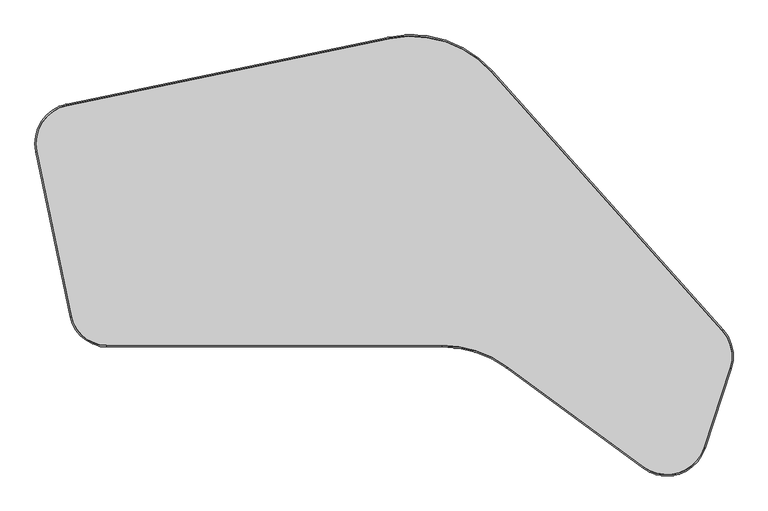
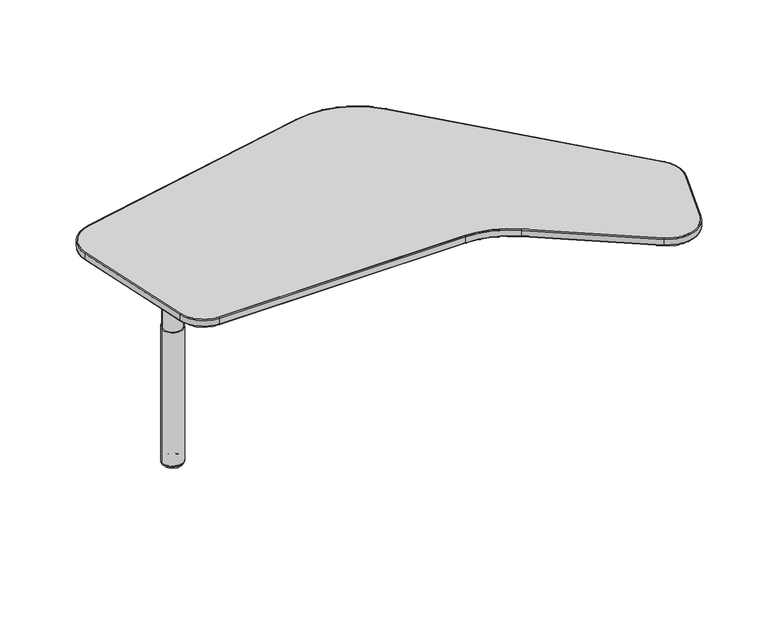
"""IFC4 building model written with IfcOpenShell, lengths in millimetres: furniture geometry."""

import ifcopenshell
import ifcopenshell.guid

model = None  # the IFC model being written
_history = None  # IfcOwnerHistory: only IFC2X3 demands one
_inside = {}  # id of a spatial element -> (the spatial element, [elements in it])
_under = {}  # id of a project, library or spatial element -> (it, [spatial elements below it])
_declared = {}  # id of a project -> (the project, [libraries it declares])
_typed = {}  # id of a type object -> (the type object, [elements of that type])
_made_of = {}  # id of a material, layer set ... -> (it, [elements and type objects made of it])


def new_model(schema):
    """Start an empty IFC model of exactly this schema.

    Asked for "IFC4X3", IfcOpenShell would pick the latest addendum, in which some entities
    have other attributes; the version numbers below select the first issue.
    IFC2X3 requires an IfcOwnerHistory on every rooted entity: one is made here for all.
    """
    global model, _history
    if schema == "IFC4X3":
        model = ifcopenshell.file(schema_version=(4, 3, 0, 0))
    else:
        model = ifcopenshell.file(schema=schema)
    _inside.clear()
    _under.clear()
    _declared.clear()
    _typed.clear()
    _made_of.clear()
    _history = None
    if model.schema == "IFC2X3":
        org = make("IfcOrganization", Name="unknown")
        user = make(
            "IfcPersonAndOrganization",
            ThePerson=make("IfcPerson", FamilyName="unknown"),
            TheOrganization=org,
        )
        app = make(
            "IfcApplication",
            ApplicationDeveloper=org,
            Version="unknown",
            ApplicationFullName="unknown",
            ApplicationIdentifier="unknown",
        )
        _history = make(
            "IfcOwnerHistory",
            OwningUser=user,
            OwningApplication=app,
            ChangeAction="ADDED",
            CreationDate=0,
        )
    return model


def make(cls, **values):
    """One entity of the class cls with the attributes given. An attribute that is None is left unset."""
    return model.create_entity(
        cls, **{name: value for name, value in values.items() if value is not None}
    )


def rooted(cls, **values):
    """An entity with a GlobalId (a new one), such as an element, a storey or a relation."""
    return make(cls, GlobalId=ifcopenshell.guid.new(), OwnerHistory=_history, **values)


def si_unit(unit_type, name, prefix=None):
    """IfcSIUnit, for example si_unit("LENGTHUNIT", "METRE", prefix="MILLI")."""
    return make("IfcSIUnit", UnitType=unit_type, Prefix=prefix, Name=name)


def assignment(units):
    """IfcUnitAssignment: the units of a project."""
    return None if units is None else make("IfcUnitAssignment", Units=units)


def point(xyz):
    """IfcCartesianPoint."""
    return None if xyz is None else make("IfcCartesianPoint", Coordinates=xyz)


def direction(xyz):
    """IfcDirection."""
    return None if xyz is None else make("IfcDirection", DirectionRatios=xyz)


def frame(location, z_axis=None, x_axis=None):
    """IfcAxis2Placement3D, a coordinate frame: its origin and axes. An axis left out is left unset."""
    return make(
        "IfcAxis2Placement3D",
        Location=point(location),
        Axis=direction(z_axis),
        RefDirection=direction(x_axis),
    )


def frame_2d(location, x_axis=None):
    """IfcAxis2Placement2D, a coordinate frame in the plane: its origin and x axis."""
    return make(
        "IfcAxis2Placement2D", Location=point(location), RefDirection=direction(x_axis)
    )


def origin():
    """The frame at (0, 0, 0) with its axes left unset."""
    return frame((0.0, 0.0, 0.0))


def place(relative_to, where):
    """IfcLocalPlacement: puts the frame where relative to a parent placement (None: the world)."""
    return make(
        "IfcLocalPlacement", PlacementRelTo=relative_to, RelativePlacement=where
    )


def context(
    kind, dimensions, precision=None, world=None, true_north=None, identifier=None
):
    """IfcGeometricRepresentationContext, for example the 3D "Model" context."""
    return make(
        "IfcGeometricRepresentationContext",
        ContextIdentifier=identifier,
        ContextType=kind,
        CoordinateSpaceDimension=dimensions,
        Precision=precision,
        WorldCoordinateSystem=world,
        TrueNorth=true_north,
    )


def project(units=None, contexts=None):
    """IfcProject with its units and contexts."""
    return rooted(
        "IfcProject",
        Name="project",
        RepresentationContexts=contexts,
        UnitsInContext=assignment(units),
    )


def spatial(cls, under=None, at=None, **own):
    """A site, building, storey or space (cls), placed at a placement, below another one or the project."""
    s = rooted(cls, ObjectPlacement=at, **own)
    if under is not None:
        _under.setdefault(under.id(), (under, []))[1].append(s)
    return s


def polyline(points):
    """IfcPolyline through the points."""
    return make("IfcPolyline", Points=[point(p) for p in points])


def circle_curve(where, radius):
    """IfcCircle in the frame where."""
    return make("IfcCircle", Position=where, Radius=radius)


def ellipse_curve(where, semi_axis1, semi_axis2):
    """IfcEllipse in the frame where."""
    return make(
        "IfcEllipse", Position=where, SemiAxis1=semi_axis1, SemiAxis2=semi_axis2
    )


def trimmed(basis, trim1, trim2, sense, master):
    """IfcTrimmedCurve: the piece of a basis curve between two trims."""
    return make(
        "IfcTrimmedCurve",
        BasisCurve=basis,
        Trim1=trim1,
        Trim2=trim2,
        SenseAgreement=sense,
        MasterRepresentation=master,
    )


def segment(curve, same_sense, transition):
    """IfcCompositeCurveSegment."""
    return make(
        "IfcCompositeCurveSegment",
        Transition=transition,
        SameSense=same_sense,
        ParentCurve=curve,
    )


def composite_curve(segments, self_intersect=None):
    """IfcCompositeCurve: segments joined end to end."""
    return make("IfcCompositeCurve", Segments=segments, SelfIntersect=self_intersect)


def outline(outer, holes=None, kind="AREA"):
    """IfcArbitraryClosedProfileDef: a profile drawn as a closed curve; with holes, ...WithVoids."""
    if holes is None:
        return make("IfcArbitraryClosedProfileDef", ProfileType=kind, OuterCurve=outer)
    return make(
        "IfcArbitraryProfileDefWithVoids",
        ProfileType=kind,
        OuterCurve=outer,
        InnerCurves=holes,
    )


def extrude(swept, where, along, depth):
    """IfcExtrudedAreaSolid: the profile swept, set in the frame where, extruded along a direction by depth."""
    return make(
        "IfcExtrudedAreaSolid",
        SweptArea=swept,
        Position=where,
        ExtrudedDirection=direction(along),
        Depth=depth,
    )


def shape(context_of_items, identifier, shape_type, items):
    """IfcShapeRepresentation: the items that make up one representation, for example the "Body"."""
    return make(
        "IfcShapeRepresentation",
        ContextOfItems=context_of_items,
        RepresentationIdentifier=identifier,
        RepresentationType=shape_type,
        Items=items,
    )


def source(mapping_origin, context_of_items, identifier, shape_type, items):
    """IfcRepresentationMap: a shape defined once, which mapped items show again and again."""
    return make(
        "IfcRepresentationMap",
        MappingOrigin=mapping_origin,
        MappedRepresentation=shape(context_of_items, identifier, shape_type, items),
    )


def transform(
    local_origin,
    x_axis=None,
    y_axis=None,
    z_axis=None,
    scale=None,
    scale2=None,
    scale3=None,
    uniform=True,
):
    """IfcCartesianTransformationOperator3D, or its non-uniform kind. x_axis, y_axis, z_axis: its Axis1, 2, 3."""
    if uniform:
        return make(
            "IfcCartesianTransformationOperator3D",
            Axis1=direction(x_axis),
            Axis2=direction(y_axis),
            LocalOrigin=point(local_origin),
            Scale=scale,
            Axis3=direction(z_axis),
        )
    return make(
        "IfcCartesianTransformationOperator3DnonUniform",
        Axis1=direction(x_axis),
        Axis2=direction(y_axis),
        LocalOrigin=point(local_origin),
        Scale=scale,
        Axis3=direction(z_axis),
        Scale2=scale2,
        Scale3=scale3,
    )


def mapped(mapping_source, mapping_target):
    """IfcMappedItem: shows the shape of a source again, moved by a transform."""
    return make(
        "IfcMappedItem", MappingSource=mapping_source, MappingTarget=mapping_target
    )


def made_of(thing, what):
    """Note that an element or type object is made of a material, layer set ...; save() writes the relation."""
    if what is not None:
        _made_of.setdefault(what.id(), (what, []))[1].append(thing)
    return thing


def element(
    cls,
    number,
    at=None,
    inside=None,
    cuts=None,
    type_object=None,
    material=None,
    context=None,
    identifier="Body",
    shape_type=None,
    held_by="IfcProductDefinitionShape",
    body=None,
    shapes=None,
    **own,
):
    """One element of the class cls, such as IfcWall. Its Tag is "e" and its number.

    at: its placement. inside: the storey or other place that contains it. cuts: it is an
    opening in that element (IfcRelVoidsElement). A single representation is given by context,
    identifier, shape_type and body (its items); several are given by shapes. held_by: the class
    of the entity that holds the representations. save() writes the other relations.
    """
    e = rooted(cls, Tag="e%d" % number, ObjectPlacement=at, **own)
    if body is not None:
        shapes = [shape(context, identifier, shape_type, body)]
    if shapes is not None:
        e.Representation = make(held_by, Representations=shapes)
    if inside is not None:
        _inside.setdefault(inside.id(), (inside, []))[1].append(e)
    if cuts is not None:
        rooted(
            "IfcRelVoidsElement", RelatingBuildingElement=cuts, RelatedOpeningElement=e
        )
    if type_object is not None:
        _typed.setdefault(type_object.id(), (type_object, []))[1].append(e)
    return made_of(e, material)


def aggregate(whole, parts):
    """IfcRelAggregates: a whole, such as a stair, and the parts it consists of."""
    return rooted("IfcRelAggregates", RelatingObject=whole, RelatedObjects=parts)


def save(model, path):
    """Write the relations noted so far, then the file.

    IfcRelAggregates (storeys below a building ...), IfcRelContainedInSpatialStructure (elements
    in a storey), IfcRelDefinesByType, IfcRelAssociatesMaterial and IfcRelDeclares: one each for
    every whole, place, type object, material and project.
    """
    for whole, parts in _under.values():
        aggregate(whole, parts)
    for where, things in _inside.values():
        rooted(
            "IfcRelContainedInSpatialStructure",
            RelatedElements=things,
            RelatingStructure=where,
        )
    for kind, things in _typed.values():
        rooted("IfcRelDefinesByType", RelatedObjects=things, RelatingType=kind)
    for what, things in _made_of.values():
        rooted("IfcRelAssociatesMaterial", RelatedObjects=things, RelatingMaterial=what)
    for by, libraries in _declared.values():
        rooted("IfcRelDeclares", RelatingContext=by, RelatedDefinitions=libraries)
    model.write(path)


def plane_surface(at):
    """IfcPlane: the flat surface through the origin of the frame at, square to its z axis."""
    return make("IfcPlane", Position=at)


def cylinder_surface(at, radius):
    """IfcCylindricalSurface: all points at the distance radius from the z axis of the frame at."""
    return make("IfcCylindricalSurface", Position=at, Radius=radius)


def revolved_surface(curve, axis_point, axis_direction):
    """IfcSurfaceOfRevolution: the curve turned about the line through axis_point along axis_direction."""
    return make(
        "IfcSurfaceOfRevolution",
        SweptCurve=make("IfcArbitraryOpenProfileDef", ProfileType="CURVE", Curve=curve),
        AxisPosition=make("IfcAxis1Placement", Location=point(axis_point), Axis=direction(axis_direction)),
    )


def advanced_brep(points, edges, surfaces, faces):
    """IfcAdvancedBrep: a solid bounded by faces that lie on surfaces and meet in shared edges.

    An edge is (start, end): straight between two places in points (the first is 0);
    or (start, end, curve); or (start, end, curve, False) where it runs against its curve.
    A face is (place in surfaces, loops), or (place, loops, False) where it looks against
    its surface's normal. A loop lists edges by number (the first is 1), with a minus sign
    where the edge is run from its end to its start. The first loop is the outer one.
    """
    corners = [point(p) for p in points]
    vertices = [make("IfcVertexPoint", VertexGeometry=c) for c in corners]
    made = []
    for start, end, *more in edges:
        made.append(
            make(
                "IfcEdgeCurve",
                EdgeStart=vertices[start],
                EdgeEnd=vertices[end],
                EdgeGeometry=more[0] if more else make("IfcPolyline", Points=[corners[start], corners[end]]),
                SameSense=more[1] if len(more) > 1 else True,
            )
        )
    hull = []
    for where, loops, *sense in faces:
        bounds = []
        for j, loop in enumerate(loops):
            ring = [make("IfcOrientedEdge", EdgeElement=made[abs(k) - 1], Orientation=k > 0) for k in loop]
            bounds.append(
                make(
                    "IfcFaceOuterBound" if j == 0 else "IfcFaceBound",
                    Bound=make("IfcEdgeLoop", EdgeList=ring),
                    Orientation=True,
                )
            )
        hull.append(make("IfcAdvancedFace", Bounds=bounds, FaceSurface=surfaces[where], SameSense=sense[0] if sense else True))
    return make("IfcAdvancedBrep", Outer=make("IfcClosedShell", CfsFaces=hull))


def furniture_fd7849f4(model_context):
    return source(origin(), model_context, "Body", "SolidModel", [
        advanced_brep(
        [(218.1847437, 295.4283696, 649.3460139), (162.0492913, 299.8722401, 649.3460139), (190.1170175, 297.6503048, 649.3460139), (218.1847437, 295.4283696, 624.9086974), (162.0492913, 299.8722401, 624.9086974), (221.2754664, 295.1836976, 624.9086974), (158.9585686, 300.1169121, 624.9086974), (221.2754664, 295.1836976, 485.9002831), (158.9585686, 300.1169121, 485.9002831), (225.3000442, 294.8650985, 485.9002831), (154.9339908, 300.4355111, 485.9002831), (225.3000442, 294.8650985, 10.2163535), (154.9339908, 300.4355111, 10.2163535), (224.0360678, 294.9651591, 9.4693355), (156.1979672, 300.3354505, 9.4693355), (224.8786925, 294.8984541, 8.8323857), (155.3553425, 300.4021555, 8.8323857), (216.7436839, 295.5424487, 0.0), (163.4903512, 299.758161, 0.0), (190.1170175, 297.6503048, 0.0)],
        [
            (0, 1, circle_curve(frame((190.1170175, 297.6503048, 649.3460139), z_axis=(0.0, 0.0, 1.0), x_axis=(-0.9968812328975419, 0.07891645897198368, 0.0)), 28.1555368)),
            (1, 2),
            (2, 0),
            (1, 0, circle_curve(frame((190.1170175, 297.6503048, 649.3460139), z_axis=(0.0, 0.0, 1.0), x_axis=(-0.9968812328975419, 0.07891645897198368, 0.0)), 28.1555368)),
            (3, 4, circle_curve(frame((190.1170175, 297.6503048, 624.9086974), z_axis=(0.0, 0.0, 1.0), x_axis=(-0.9968812328975419, 0.07891645897198368, 0.0)), 28.1555368)),
            (4, 1),
            (0, 3),
            (4, 3, circle_curve(frame((190.1170175, 297.6503048, 624.9086974), z_axis=(0.0, 0.0, 1.0), x_axis=(-0.9968812328975419, 0.07891645897198368, 0.0)), 28.1555368)),
            (5, 6, circle_curve(frame((190.1170175, 297.6503048, 624.9086974), z_axis=(0.0, 0.0, 1.0), x_axis=(-0.9968812328975419, 0.07891645897198368, 0.0)), 31.2559289)),
            (6, 4),
            (3, 5),
            (6, 5, circle_curve(frame((190.1170175, 297.6503048, 624.9086974), z_axis=(0.0, 0.0, 1.0), x_axis=(-0.9968812328975419, 0.07891645897198368, 0.0)), 31.2559289)),
            (7, 8, circle_curve(frame((190.1170175, 297.6503048, 485.9002831), z_axis=(0.0, 0.0, 1.0), x_axis=(-0.9968812328975419, 0.07891645897198368, 0.0)), 31.2559289)),
            (8, 6),
            (5, 7),
            (8, 7, circle_curve(frame((190.1170175, 297.6503048, 485.9002831), z_axis=(0.0, 0.0, 1.0), x_axis=(-0.9968812328975419, 0.07891645897198368, 0.0)), 31.2559289)),
            (9, 10, circle_curve(frame((190.1170175, 297.6503048, 485.9002831), z_axis=(0.0, 0.0, 1.0), x_axis=(-0.9968812328975419, 0.07891645897198368, 0.0)), 35.2930977)),
            (10, 8),
            (7, 9),
            (10, 9, circle_curve(frame((190.1170175, 297.6503048, 485.9002831), z_axis=(0.0, 0.0, 1.0), x_axis=(-0.9968812328975419, 0.07891645897198368, 0.0)), 35.2930977)),
            (11, 12, circle_curve(frame((190.1170175, 297.6503048, 10.2163535), z_axis=(0.0, 0.0, 1.0), x_axis=(-0.9968812328975419, 0.07891645897198368, 0.0)), 35.2930977)),
            (12, 10),
            (9, 11),
            (12, 11, circle_curve(frame((190.1170175, 297.6503048, 10.2163535), z_axis=(0.0, 0.0, 1.0), x_axis=(-0.9968812328975419, 0.07891645897198368, 0.0)), 35.2930977)),
            (13, 14, circle_curve(frame((190.1170175, 297.6503048, 9.4693355), z_axis=(0.0, 0.0, 1.0), x_axis=(-0.9968812328975419, 0.07891645897198368, 0.0)), 34.0251669)),
            (14, 12, circle_curve(frame((156.3857362, 300.3205861, 11.2385904), z_axis=(0.07891645897198368, 0.9968812328975419, 0.0), x_axis=(0.9968812328975419, -0.07891645897198368, 0.0)), 1.7792529)),
            (11, 13, circle_curve(frame((223.8482988, 294.9800236, 11.2385904), z_axis=(0.07891645897198046, 0.9968812328975422, 0.0), x_axis=(-0.9968812328975422, 0.07891645897198046, 0.0)), 1.7792529)),
            (14, 13, circle_curve(frame((190.1170175, 297.6503048, 9.4693355), z_axis=(0.0, 0.0, 1.0), x_axis=(-0.9968812328975419, 0.07891645897198368, 0.0)), 34.0251669)),
            (15, 16, circle_curve(frame((190.1170175, 297.6503048, 8.8323857), z_axis=(0.0, 0.0, 1.0), x_axis=(-0.9968812328975419, 0.07891645897198368, 0.0)), 34.8704278)),
            (16, 14, circle_curve(frame((156.8915053, 300.2805477, 7.6667755), z_axis=(0.07891645897198368, 0.9968812328975419, 0.0), x_axis=(0.9968812328975419, -0.07891645897198368, 0.0)), 1.9321573)),
            (13, 15, circle_curve(frame((223.3425297, 295.0200619, 7.6667755), z_axis=(0.07891645897198046, 0.9968812328975422, 0.0), x_axis=(-0.9968812328975422, 0.07891645897198046, 0.0)), 1.9321573)),
            (16, 15, circle_curve(frame((190.1170175, 297.6503048, 8.8323857), z_axis=(0.0, 0.0, 1.0), x_axis=(-0.9968812328975419, 0.07891645897198368, 0.0)), 34.8704278)),
            (17, 18, circle_curve(frame((190.1170175, 297.6503048, 0.0), z_axis=(0.0, 0.0, 1.0), x_axis=(-0.9968812328975419, 0.07891645897198368, 0.0)), 26.7099685)),
            (18, 16, circle_curve(frame((163.4903512, 299.758161, 8.1860178), z_axis=(0.07891645897198368, 0.9968812328975419, 0.0), x_axis=(0.9968812328975419, -0.07891645897198368, 0.0)), 8.1860178)),
            (15, 17, circle_curve(frame((216.7436839, 295.5424487, 8.1860178), z_axis=(0.07891645897198046, 0.9968812328975422, 0.0), x_axis=(-0.9968812328975422, 0.07891645897198046, 0.0)), 8.1860178)),
            (18, 17, circle_curve(frame((190.1170175, 297.6503048, 0.0), z_axis=(0.0, 0.0, 1.0), x_axis=(-0.9968812328975419, 0.07891645897198368, 0.0)), 26.7099685)),
            (19, 18),
            (17, 19),
        ],
        [
            plane_surface(frame((190.1170175, 297.6503048, 649.3460139), z_axis=(0.0, 0.0, 1.0), x_axis=(-0.9968812328975419, 0.07891645897198368, 0.0))),
            cylinder_surface(frame((190.1170175, 297.6503048, -31.75), z_axis=(0.0, 0.0, -1.0), x_axis=(-0.9968812328975419, 0.07891645897198368, 0.0)), 28.1555368),
            plane_surface(frame((190.1170175, 297.6503048, 624.9086974), z_axis=(0.0, 0.0, 1.0), x_axis=(-0.9968812328975419, 0.07891645897198368, 0.0))),
            cylinder_surface(frame((190.1170175, 297.6503048, -31.75), z_axis=(0.0, 0.0, -1.0), x_axis=(-0.9968812328975419, 0.07891645897198368, 0.0)), 31.2559289),
            plane_surface(frame((190.1170175, 297.6503048, 485.9002831), z_axis=(0.0, 0.0, 1.0), x_axis=(-0.9968812328975419, 0.07891645897198368, 0.0))),
            cylinder_surface(frame((190.1170175, 297.6503048, -31.75), z_axis=(0.0, 0.0, -1.0), x_axis=(-0.9968812328975419, 0.07891645897198368, 0.0)), 35.2930977),
            revolved_surface(trimmed(ellipse_curve(frame((156.3857362, 300.3205861, 11.2385904), z_axis=(-0.07891645897198368, -0.9968812328975419, 0.0), x_axis=(0.9968812328975419, -0.07891645897198368, 0.0)), 1.7792529, 1.7792529), [point((154.9339908, 300.4355111, 10.2163535))], [point((156.1979672, 300.3354505, 9.4693355))], True, "CARTESIAN"), (190.1170175, 297.6503048, -31.75), (0.0, 0.0, -1.0)),
            revolved_surface(trimmed(ellipse_curve(frame((156.8915053, 300.2805477, 7.6667755), z_axis=(-0.07891645897198368, -0.9968812328975419, 0.0), x_axis=(0.9968812328975419, -0.07891645897198368, 0.0)), 1.9321573, 1.9321573), [point((156.1979672, 300.3354505, 9.4693355))], [point((155.3553425, 300.4021555, 8.8323857))], True, "CARTESIAN"), (190.1170175, 297.6503048, -31.75), (0.0, 0.0, -1.0)),
            revolved_surface(trimmed(ellipse_curve(frame((163.4903512, 299.758161, 8.1860178), z_axis=(-0.07891645897198368, -0.9968812328975419, 0.0), x_axis=(0.9968812328975419, -0.07891645897198368, 0.0)), 8.1860178, 8.1860178), [point((155.3553425, 300.4021555, 8.8323857))], [point((163.4903512, 299.758161, 0.0))], True, "CARTESIAN"), (190.1170175, 297.6503048, -31.75), (0.0, 0.0, -1.0)),
            plane_surface(frame((190.1170175, 297.6503048, 0.0), z_axis=(0.0, 0.0, -1.0), x_axis=(-0.9968812328975419, 0.07891645897198368, 0.0))),
        ],
        [
            (0, [[1, 2, 3]]),
            (0, [[4, -3, -2]]),
            (1, [[5, 6, -1, 7]]),
            (1, [[8, -7, -4, -6]]),
            (2, [[9, 10, -5, 11]]),
            (2, [[12, -11, -8, -10]]),
            (3, [[13, 14, -9, 15]]),
            (3, [[16, -15, -12, -14]]),
            (4, [[17, 18, -13, 19]]),
            (4, [[20, -19, -16, -18]]),
            (5, [[21, 22, -17, 23]]),
            (5, [[24, -23, -20, -22]]),
            (6, [[25, 26, -21, 27]]),
            (6, [[28, -27, -24, -26]]),
            (7, [[29, 30, -25, 31]]),
            (7, [[32, -31, -28, -30]]),
            (8, [[33, 34, -29, 35]]),
            (8, [[36, -35, -32, -34]]),
            (9, [[37, -33, 38]]),
            (9, [[-38, -36, -37]]),
        ],
    ),
        advanced_brep(
        [(176.4500095, 3.81, 675.8114043), (176.4500095, 3.81, 701.04), (1003.2845277, 3.81, 701.04), (1003.2845277, 3.81, 675.8114043), (176.4500095, 0.0, 678.3514043), (176.4500095, 2.54, 675.8114043), (1003.2845277, 2.54, 675.8114043), (1003.2845277, 0.0, 678.3514043), (176.4500095, 0.0, 698.5), (1003.2845277, 0.0, 698.5), (176.4500095, 2.54, 701.04), (1003.2845277, 2.54, 701.04), (1164.859092, -49.1264778, 675.8114043), (1164.859092, -49.1264778, 701.04), (1162.6045632, -52.1978292, 678.3514043), (1164.1075824, -50.1502616, 675.8114043), (1162.6045632, -52.1978292, 698.5), (1164.1075824, -50.1502616, 701.04), (1502.3008534, -296.8259604, 701.04), (1502.3008534, -296.8259604, 675.8114043), (1501.5493438, -297.8497442, 675.8114043), (1500.0463246, -299.8973118, 678.3514043), (1500.0463246, -299.8973118, 698.5), (1501.5493438, -297.8497442, 701.04), (1649.1152371, -249.8943009, 675.8114043), (1649.1152371, -249.8943009, 701.04), (1652.7332836, -251.088386, 678.3514043), (1650.3212526, -250.2923292, 675.8114043), (1652.7332836, -251.088386, 698.5), (1650.3212526, -250.2923292, 701.04), (1713.8957486, -53.6110488, 701.04), (1713.8957486, -53.6110488, 675.8114043), (1715.1017641, -54.0090771, 675.8114043), (1717.5137951, -54.8051339, 678.3514043), (1717.5137951, -54.8051339, 698.5), (1715.1017641, -54.0090771, 701.04), (1694.5230089, 39.6478618, 675.8114043), (1694.5230089, 39.6478618, 701.04), (1697.3661459, 42.1841331, 678.3514043), (1695.4707212, 40.4932855, 675.8114043), (1697.3661459, 42.1841331, 698.5), (1695.4707212, 40.4932855, 701.04), (1125.4297504, 677.5961986, 701.04), (1125.4297504, 677.5961986, 675.8114043), (1126.3774627, 678.4416224, 675.8114043), (1128.2728874, 680.1324699, 678.3514043), (1128.2728874, 680.1324699, 698.5), (1126.3774627, 678.4416224, 701.04), (874.5786416, 760.3866443, 675.8114043), (874.5786416, 760.3866443, 701.04), (873.8037337, 764.1170086, 678.3514043), (874.320339, 761.6300991, 675.8114043), (873.8037337, 764.1170086, 698.5), (874.320339, 761.6300991, 701.04), (78.5531605, 595.0284191, 701.04), (78.5531605, 595.0284191, 675.8114043), (78.2948579, 596.2718739, 675.8114043), (77.7782526, 598.7587834, 678.3514043), (77.7782526, 598.7587834, 698.5), (78.2948579, 596.2718739, 701.04), (4.6683853, 482.3887447, 675.8114043), (4.6683853, 482.3887447, 701.04), (0.9380865, 481.613522, 678.3514043), (3.4249524, 482.1303371, 675.8114043), (0.9380865, 481.613522, 698.5), (3.4249524, 482.1303371, 701.04), (89.4097021, 74.6214708, 701.04), (89.4097021, 74.6214708, 675.8114043), (88.1662691, 74.3630632, 675.8114043), (85.6794032, 73.8462481, 678.3514043), (85.6794032, 73.8462481, 698.5), (88.1662691, 74.3630632, 701.04)],
        [
            (0, 1),
            (1, 2),
            (2, 3),
            (3, 0),
            (4, 5, circle_curve(frame((176.4500095, 2.54, 678.3514043), z_axis=(1.0, 0.0, 0.0), x_axis=(0.0, 1.0, 0.0)), 2.54)),
            (5, 6),
            (6, 7, circle_curve(frame((1003.2845277, 2.54, 678.3514043), z_axis=(-1.0, 0.0, 0.0), x_axis=(0.0, 1.0, 0.0)), 2.54)),
            (7, 4),
            (8, 4),
            (7, 9),
            (9, 8),
            (10, 8, circle_curve(frame((176.4500095, 2.54, 698.5), z_axis=(1.0, 0.0, 0.0), x_axis=(0.0, 1.0, 0.0)), 2.54)),
            (9, 11, circle_curve(frame((1003.2845277, 2.54, 698.5), z_axis=(-1.0, 0.0, 0.0), x_axis=(0.0, 1.0, 0.0)), 2.54)),
            (11, 10),
            (12, 3, circle_curve(frame((1003.2845277, -269.24, 675.8114043), z_axis=(0.0, 0.0, 1.0), x_axis=(0.0, 1.0, 0.0)), 273.05)),
            (2, 13, circle_curve(frame((1003.2845277, -269.24, 701.04), z_axis=(0.0, 0.0, -1.0), x_axis=(0.0, 1.0, 0.0)), 273.05)),
            (13, 12),
            (14, 7, circle_curve(frame((1003.2845277, -269.24, 678.3514043), z_axis=(0.0, 0.0, 1.0), x_axis=(0.0, 1.0, 0.0)), 269.24)),
            (6, 15, circle_curve(frame((1003.2845277, -269.24, 675.8114043), z_axis=(0.0, 0.0, -1.0), x_axis=(0.0, 1.0, 0.0)), 271.78)),
            (15, 14, circle_curve(frame((1164.1075824, -50.1502616, 678.3514043), z_axis=(-0.8061289955728148, 0.5917398435940956, 0.0), x_axis=(0.5917398435940956, 0.8061289955728148, 0.0)), 2.54)),
            (16, 9, circle_curve(frame((1003.2845277, -269.24, 698.5), z_axis=(0.0, 0.0, 1.0), x_axis=(0.0, 1.0, 0.0)), 269.24)),
            (14, 16),
            (17, 11, circle_curve(frame((1003.2845277, -269.24, 701.04), z_axis=(0.0, 0.0, 1.0), x_axis=(0.0, 1.0, 0.0)), 271.78)),
            (16, 17, circle_curve(frame((1164.1075824, -50.1502616, 698.5), z_axis=(-0.8061289955728146, 0.5917398435940958, 0.0), x_axis=(0.5917398435940958, 0.8061289955728146, 0.0)), 2.54)),
            (13, 18),
            (18, 19),
            (19, 12),
            (15, 20),
            (20, 21, circle_curve(frame((1501.5493438, -297.8497442, 678.3514043), z_axis=(-0.8061289955728148, 0.5917398435940956, 0.0), x_axis=(0.5917398435940956, 0.8061289955728148, 0.0)), 2.54)),
            (21, 14),
            (21, 22),
            (22, 16),
            (22, 23, circle_curve(frame((1501.5493438, -297.8497442, 698.5), z_axis=(-0.8061289955728148, 0.5917398435940956, 0.0), x_axis=(0.5917398435940956, 0.8061289955728148, 0.0)), 2.54)),
            (23, 17),
            (24, 19, circle_curve(frame((1558.6640735, -220.0421735, 675.8114043), z_axis=(0.0, 0.0, -1.0), x_axis=(-0.5917398435940961, -0.8061289955728144, 0.0)), 95.25)),
            (18, 25, circle_curve(frame((1558.6640735, -220.0421735, 701.04), z_axis=(0.0, 0.0, 1.0), x_axis=(-0.5917398435940961, -0.8061289955728144, 0.0)), 95.25)),
            (25, 24),
            (26, 21, circle_curve(frame((1558.6640735, -220.0421735, 678.3514043), z_axis=(0.0, 0.0, -1.0), x_axis=(-0.5917398435940961, -0.8061289955728144, 0.0)), 99.06)),
            (20, 27, circle_curve(frame((1558.6640735, -220.0421735, 675.8114043), z_axis=(0.0, 0.0, 1.0), x_axis=(-0.5917398435940961, -0.8061289955728144, 0.0)), 96.52)),
            (27, 26, circle_curve(frame((1650.3212526, -250.2923292, 678.3514043), z_axis=(-0.3134081611729783, -0.9496185152523999, 0.0), x_axis=(-0.9496185152523999, 0.3134081611729783, 0.0)), 2.54)),
            (28, 22, circle_curve(frame((1558.6640735, -220.0421735, 698.5), z_axis=(0.0, 0.0, -1.0), x_axis=(-0.5917398435940961, -0.8061289955728144, 0.0)), 99.06)),
            (26, 28),
            (29, 23, circle_curve(frame((1558.6640735, -220.0421735, 701.04), z_axis=(0.0, 0.0, -1.0), x_axis=(-0.5917398435940961, -0.8061289955728144, 0.0)), 96.52)),
            (28, 29, circle_curve(frame((1650.3212526, -250.2923292, 698.5), z_axis=(-0.3134081611729792, -0.9496185152523995, 0.0), x_axis=(-0.9496185152523995, 0.3134081611729792, 0.0)), 2.54)),
            (25, 30),
            (30, 31),
            (31, 24),
            (27, 32),
            (32, 33, circle_curve(frame((1715.1017641, -54.0090771, 678.3514043), z_axis=(-0.3134081611729781, -0.9496185152524002, 0.0), x_axis=(-0.9496185152523999, 0.31340816117297804, 0.0)), 2.54)),
            (33, 26),
            (33, 34),
            (34, 28),
            (34, 35, circle_curve(frame((1715.1017641, -54.0090771, 698.5), z_axis=(-0.3134081611729781, -0.9496185152524002, 0.0), x_axis=(-0.9496185152523999, 0.31340816117297804, 0.0)), 2.54)),
            (35, 29),
            (36, 31, circle_curve(frame((1623.444585, -23.7589214, 675.8114043), z_axis=(0.0, 0.0, -1.0), x_axis=(0.9496185152523999, -0.31340816117297826, 0.0)), 95.25)),
            (30, 37, circle_curve(frame((1623.444585, -23.7589214, 701.04), z_axis=(0.0, 0.0, 1.0), x_axis=(0.9496185152523999, -0.31340816117297826, 0.0)), 95.25)),
            (37, 36),
            (38, 33, circle_curve(frame((1623.444585, -23.7589214, 678.3514043), z_axis=(0.0, 0.0, -1.0), x_axis=(0.9496185152523999, -0.31340816117297826, 0.0)), 99.06)),
            (32, 39, circle_curve(frame((1623.444585, -23.7589214, 675.8114043), z_axis=(0.0, 0.0, 1.0), x_axis=(0.9496185152523999, -0.31340816117297826, 0.0)), 96.52)),
            (39, 38, circle_curve(frame((1695.4707212, 40.4932855, 678.3514043), z_axis=(0.6656880124197581, -0.7462301723467313, 0.0), x_axis=(-0.7462301723467313, -0.6656880124197581, 0.0)), 2.54)),
            (40, 34, circle_curve(frame((1623.444585, -23.7589214, 698.5), z_axis=(0.0, 0.0, -1.0), x_axis=(0.9496185152523999, -0.31340816117297826, 0.0)), 99.06)),
            (38, 40),
            (41, 35, circle_curve(frame((1623.444585, -23.7589214, 701.04), z_axis=(0.0, 0.0, -1.0), x_axis=(0.9496185152523999, -0.31340816117297826, 0.0)), 96.52)),
            (40, 41, circle_curve(frame((1695.4707212, 40.4932855, 698.5), z_axis=(0.6656880124197588, -0.7462301723467306, 0.0), x_axis=(-0.7462301723467306, -0.6656880124197588, 0.0)), 2.54)),
            (37, 42),
            (42, 43),
            (43, 36),
            (39, 44),
            (44, 45, circle_curve(frame((1126.3774627, 678.4416224, 678.3514043), z_axis=(0.6656880124197574, -0.7462301723467317, 0.0), x_axis=(-0.7462301723467317, -0.6656880124197574, 0.0)), 2.54)),
            (45, 38),
            (45, 46),
            (46, 40),
            (46, 47, circle_curve(frame((1126.3774627, 678.4416224, 698.5), z_axis=(0.6656880124197574, -0.7462301723467317, 0.0), x_axis=(-0.7462301723467317, -0.6656880124197574, 0.0)), 2.54)),
            (47, 41),
            (48, 43, circle_curve(frame((928.3055881, 501.7480532, 675.8114043), z_axis=(0.0, 0.0, -1.0), x_axis=(0.746230172346732, 0.6656880124197572, 0.0)), 264.16)),
            (42, 49, circle_curve(frame((928.3055881, 501.7480532, 701.04), z_axis=(0.0, 0.0, 1.0), x_axis=(0.746230172346732, 0.6656880124197572, 0.0)), 264.16)),
            (49, 48),
            (50, 45, circle_curve(frame((928.3055881, 501.7480532, 678.3514043), z_axis=(0.0, 0.0, -1.0), x_axis=(0.746230172346732, 0.6656880124197572, 0.0)), 267.97)),
            (44, 51, circle_curve(frame((928.3055881, 501.7480532, 675.8114043), z_axis=(0.0, 0.0, 1.0), x_axis=(0.746230172346732, 0.6656880124197572, 0.0)), 265.43)),
            (51, 50, circle_curve(frame((874.320339, 761.6300991, 678.3514043), z_axis=(0.9790982402051904, 0.20338789547831837, 0.0), x_axis=(0.20338789547831837, -0.9790982402051904, 0.0)), 2.54)),
            (52, 46, circle_curve(frame((928.3055881, 501.7480532, 698.5), z_axis=(0.0, 0.0, -1.0), x_axis=(0.746230172346732, 0.6656880124197572, 0.0)), 267.97)),
            (50, 52),
            (53, 47, circle_curve(frame((928.3055881, 501.7480532, 701.04), z_axis=(0.0, 0.0, -1.0), x_axis=(0.746230172346732, 0.6656880124197572, 0.0)), 265.43)),
            (52, 53, circle_curve(frame((874.320339, 761.6300991, 698.5), z_axis=(0.9790982402051905, 0.20338789547831787, 0.0), x_axis=(0.20338789547831787, -0.9790982402051905, 0.0)), 2.54)),
            (49, 54),
            (54, 55),
            (55, 48),
            (51, 56),
            (56, 57, circle_curve(frame((78.2948579, 596.2718739, 678.3514043), z_axis=(0.9790982402051905, 0.2033878954783179, 0.0), x_axis=(0.2033878954783179, -0.9790982402051905, 0.0)), 2.54)),
            (57, 50),
            (57, 58),
            (58, 52),
            (58, 59, circle_curve(frame((78.2948579, 596.2718739, 698.5), z_axis=(0.9790982402051905, 0.2033878954783179, 0.0), x_axis=(0.2033878954783179, -0.9790982402051905, 0.0)), 2.54)),
            (59, 53),
            (60, 55, circle_curve(frame((97.9258575, 501.7693117, 675.8114043), z_axis=(0.0, 0.0, -1.0), x_axis=(-0.20338789547831754, 0.9790982402051905, 0.0)), 95.25)),
            (54, 61, circle_curve(frame((97.9258575, 501.7693117, 701.04), z_axis=(0.0, 0.0, 1.0), x_axis=(-0.20338789547831754, 0.9790982402051905, 0.0)), 95.25)),
            (61, 60),
            (62, 57, circle_curve(frame((97.9258575, 501.7693117, 678.3514043), z_axis=(0.0, 0.0, -1.0), x_axis=(-0.20338789547831754, 0.9790982402051905, 0.0)), 99.06)),
            (56, 63, circle_curve(frame((97.9258575, 501.7693117, 675.8114043), z_axis=(0.0, 0.0, 1.0), x_axis=(-0.20338789547831754, 0.9790982402051905, 0.0)), 96.52)),
            (63, 62, circle_curve(frame((3.4249524, 482.1303371, 678.3514043), z_axis=(-0.20347052011527966, 0.979081072967922, 0.0), x_axis=(0.979081072967922, 0.20347052011527966, 0.0)), 2.54)),
            (64, 58, circle_curve(frame((97.9258575, 501.7693117, 698.5), z_axis=(0.0, 0.0, -1.0), x_axis=(-0.20338789547831754, 0.9790982402051905, 0.0)), 99.06)),
            (62, 64),
            (65, 59, circle_curve(frame((97.9258575, 501.7693117, 701.04), z_axis=(0.0, 0.0, -1.0), x_axis=(-0.20338789547831754, 0.9790982402051905, 0.0)), 96.52)),
            (64, 65, circle_curve(frame((3.4249524, 482.1303371, 698.5), z_axis=(-0.2034705201152801, 0.9790810729679219, 0.0), x_axis=(0.9790810729679219, 0.2034705201152801, 0.0)), 2.54)),
            (61, 66),
            (66, 67),
            (67, 60),
            (63, 68),
            (68, 69, circle_curve(frame((88.1662691, 74.3630632, 678.3514043), z_axis=(-0.203470520115287, 0.9790810729679207, 0.0), x_axis=(0.9790810729679207, 0.203470520115287, 0.0)), 2.54)),
            (69, 62),
            (69, 70),
            (70, 64),
            (70, 71, circle_curve(frame((88.1662691, 74.3630632, 698.5), z_axis=(-0.203470520115287, 0.9790810729679207, 0.0), x_axis=(0.9790810729679207, 0.203470520115287, 0.0)), 2.54)),
            (71, 65),
            (0, 67, circle_curve(frame((176.4500095, 92.71, 675.8114043), z_axis=(0.0, 0.0, -1.0), x_axis=(-0.9790810729679205, -0.20347052011528752, 0.0)), 88.9)),
            (66, 1, circle_curve(frame((176.4500095, 92.71, 701.04), z_axis=(0.0, 0.0, 1.0), x_axis=(-0.9790810729679205, -0.20347052011528752, 0.0)), 88.9)),
            (5, 68, circle_curve(frame((176.4500095, 92.71, 675.8114043), z_axis=(0.0, 0.0, -1.0), x_axis=(-0.9790810729679205, -0.20347052011528752, 0.0)), 90.17)),
            (4, 69, circle_curve(frame((176.4500095, 92.71, 678.3514043), z_axis=(0.0, 0.0, -1.0), x_axis=(-0.9790810729679205, -0.20347052011528752, 0.0)), 92.71)),
            (8, 70, circle_curve(frame((176.4500095, 92.71, 698.5), z_axis=(0.0, 0.0, -1.0), x_axis=(-0.9790810729679205, -0.20347052011528752, 0.0)), 92.71)),
            (10, 71, circle_curve(frame((176.4500095, 92.71, 701.04), z_axis=(0.0, 0.0, -1.0), x_axis=(-0.9790810729679205, -0.20347052011528752, 0.0)), 90.17)),
        ],
        [
            plane_surface(frame((176.4500095, 3.81, 701.04), z_axis=(0.0, 1.0, 0.0), x_axis=(1.0, 0.0, 0.0))),
            cylinder_surface(frame((176.4500095, 2.54, 678.3514043), z_axis=(-1.0, 0.0, 0.0), x_axis=(0.0, 1.0, 0.0)), 2.54),
            plane_surface(frame((176.4500095, 0.0, 678.3514043), z_axis=(0.0, -1.0, 0.0), x_axis=(1.0, 0.0, 0.0))),
            cylinder_surface(frame((176.4500095, 2.54, 698.5), z_axis=(-1.0, 0.0, 0.0), x_axis=(0.0, 1.0, 0.0)), 2.54),
            cylinder_surface(frame((1003.2845277, -269.24, 0.0), z_axis=(0.0, 0.0, -1.0), x_axis=(0.0, 1.0, 0.0)), 273.05),
            revolved_surface(trimmed(ellipse_curve(frame((1003.2845277, 2.54, 678.3514043), z_axis=(-1.0, 0.0, 0.0), x_axis=(0.0, 1.0, 0.0)), 2.54, 2.54), [point((1003.2845277, 2.54, 675.8114043))], [point((1003.2845277, 0.0, 678.3514043))], True, "CARTESIAN"), (1003.2845277, -269.24, 0.0), (0.0, 0.0, -1.0)),
            revolved_surface(polyline([(1003.2845277, 0.0, 678.3514043), (1003.2845277, 0.0, 698.5)]), (1003.2845277, -269.24, 0.0), (0.0, 0.0, -1.0)),
            revolved_surface(trimmed(ellipse_curve(frame((1003.2845277, 2.54, 698.5), z_axis=(-1.0, 0.0, 0.0), x_axis=(0.0, 1.0, 0.0)), 2.54, 2.54), [point((1003.2845277, 0.0, 698.5))], [point((1003.2845277, 2.54, 701.04))], True, "CARTESIAN"), (1003.2845277, -269.24, 0.0), (0.0, 0.0, -1.0)),
            plane_surface(frame((1164.859092, -49.1264778, 701.04), z_axis=(0.5917398435940955, 0.806128995572815, 0.0), x_axis=(0.806128995572815, -0.5917398435940955, 0.0))),
            cylinder_surface(frame((1164.1075824, -50.1502616, 678.3514043), z_axis=(-0.8061289955728148, 0.5917398435940956, 0.0), x_axis=(0.5917398435940956, 0.8061289955728148, 0.0)), 2.54),
            plane_surface(frame((1162.6045632, -52.1978292, 678.3514043), z_axis=(-0.5917398435940955, -0.806128995572815, 0.0), x_axis=(0.806128995572815, -0.5917398435940955, 0.0))),
            cylinder_surface(frame((1164.1075824, -50.1502616, 698.5), z_axis=(-0.8061289955728148, 0.5917398435940956, 0.0), x_axis=(0.5917398435940956, 0.8061289955728148, 0.0)), 2.54),
            revolved_surface(polyline([(1502.3008533976624, -296.82596032831054, 701.04), (1502.3008533976624, -296.82596032831054, 675.8114043)]), (1558.6640735, -220.0421735, 0.0), (0.0, 0.0, 1.0)),
            revolved_surface(trimmed(ellipse_curve(frame((1501.5493438, -297.8497442, 678.3514043), z_axis=(-0.8061289955728145, 0.591739843594096, 0.0), x_axis=(0.591739843594096, 0.8061289955728145, 0.0)), 2.54, 2.54), [point((1501.5493438, -297.8497442, 675.8114043))], [point((1500.0463246, -299.8973118, 678.3514043))], True, "CARTESIAN"), (1558.6640735, -220.0421735, 0.0), (0.0, 0.0, 1.0)),
            cylinder_surface(frame((1558.6640735, -220.0421735, 0.0), z_axis=(0.0, 0.0, 1.0), x_axis=(-0.5917398435940961, -0.8061289955728144, 0.0)), 99.06),
            revolved_surface(trimmed(ellipse_curve(frame((1501.5493438, -297.8497442, 698.5), z_axis=(-0.8061289955728145, 0.591739843594096, 0.0), x_axis=(0.591739843594096, 0.8061289955728145, 0.0)), 2.54, 2.54), [point((1500.0463246, -299.8973118, 698.5))], [point((1501.5493438, -297.8497442, 701.04))], True, "CARTESIAN"), (1558.6640735, -220.0421735, 0.0), (0.0, 0.0, 1.0)),
            plane_surface(frame((1649.1152371, -249.8943009, 701.04), z_axis=(-0.9496185152524004, 0.3134081611729771, 0.0), x_axis=(0.3134081611729771, 0.9496185152524004, 0.0))),
            cylinder_surface(frame((1650.3212526, -250.2923292, 678.3514043), z_axis=(-0.31340816117297804, -0.9496185152523999, 0.0), x_axis=(-0.9496185152523999, 0.31340816117297804, 0.0)), 2.54),
            plane_surface(frame((1652.7332836, -251.088386, 678.3514043), z_axis=(0.9496185152523999, -0.31340816117297843, 0.0), x_axis=(0.31340816117297843, 0.9496185152523999, 0.0))),
            cylinder_surface(frame((1650.3212526, -250.2923292, 698.5), z_axis=(-0.31340816117297804, -0.9496185152523999, 0.0), x_axis=(-0.9496185152523999, 0.31340816117297804, 0.0)), 2.54),
            revolved_surface(polyline([(1713.895748577791, -53.61104875172617, 701.04), (1713.895748577791, -53.61104875172617, 675.8114043)]), (1623.444585, -23.7589214, 0.0), (0.0, 0.0, 1.0)),
            revolved_surface(trimmed(ellipse_curve(frame((1715.1017641, -54.0090771, 678.3514043), z_axis=(-0.31340816117297815, -0.9496185152523999, 0.0), x_axis=(-0.9496185152523999, 0.31340816117297815, 0.0)), 2.54, 2.54), [point((1715.1017641, -54.0090771, 675.8114043))], [point((1717.5137951, -54.8051339, 678.3514043))], True, "CARTESIAN"), (1623.444585, -23.7589214, 0.0), (0.0, 0.0, 1.0)),
            cylinder_surface(frame((1623.444585, -23.7589214, 0.0), z_axis=(0.0, 0.0, 1.0), x_axis=(0.9496185152523999, -0.31340816117297826, 0.0)), 99.06),
            revolved_surface(trimmed(ellipse_curve(frame((1715.1017641, -54.0090771, 698.5), z_axis=(-0.31340816117297815, -0.9496185152523999, 0.0), x_axis=(-0.9496185152523999, 0.31340816117297815, 0.0)), 2.54, 2.54), [point((1717.5137951, -54.8051339, 698.5))], [point((1715.1017641, -54.0090771, 701.04))], True, "CARTESIAN"), (1623.444585, -23.7589214, 0.0), (0.0, 0.0, 1.0)),
            plane_surface(frame((1694.5230089, 39.6478618, 701.04), z_axis=(-0.746230172346732, -0.6656880124197573, 0.0), x_axis=(-0.6656880124197573, 0.746230172346732, 0.0))),
            cylinder_surface(frame((1695.4707212, 40.4932855, 678.3514043), z_axis=(0.6656880124197574, -0.7462301723467317, 0.0), x_axis=(-0.7462301723467317, -0.6656880124197574, 0.0)), 2.54),
            plane_surface(frame((1697.3661459, 42.1841331, 678.3514043), z_axis=(0.746230172346732, 0.6656880124197572, 0.0), x_axis=(-0.6656880124197572, 0.746230172346732, 0.0))),
            cylinder_surface(frame((1695.4707212, 40.4932855, 698.5), z_axis=(0.6656880124197574, -0.7462301723467317, 0.0), x_axis=(-0.7462301723467317, -0.6656880124197574, 0.0)), 2.54),
            revolved_surface(polyline([(1125.4297504271128, 677.596198560803, 701.04), (1125.4297504271128, 677.596198560803, 675.8114043)]), (928.3055881, 501.7480532, 0.0), (0.0, 0.0, 1.0)),
            revolved_surface(trimmed(ellipse_curve(frame((1126.3774627, 678.4416224, 678.3514043), z_axis=(0.6656880124197573, -0.7462301723467318, 0.0), x_axis=(-0.7462301723467318, -0.6656880124197573, 0.0)), 2.54, 2.54), [point((1126.3774627, 678.4416224, 675.8114043))], [point((1128.2728874, 680.1324699, 678.3514043))], True, "CARTESIAN"), (928.3055881, 501.7480532, 0.0), (0.0, 0.0, 1.0)),
            cylinder_surface(frame((928.3055881, 501.7480532, 0.0), z_axis=(0.0, 0.0, 1.0), x_axis=(0.746230172346732, 0.6656880124197572, 0.0)), 267.97),
            revolved_surface(trimmed(ellipse_curve(frame((1126.3774627, 678.4416224, 698.5), z_axis=(0.6656880124197573, -0.7462301723467318, 0.0), x_axis=(-0.7462301723467318, -0.6656880124197573, 0.0)), 2.54, 2.54), [point((1128.2728874, 680.1324699, 698.5))], [point((1126.3774627, 678.4416224, 701.04))], True, "CARTESIAN"), (928.3055881, 501.7480532, 0.0), (0.0, 0.0, 1.0)),
            plane_surface(frame((874.5786416, 760.3866443, 701.04), z_axis=(0.2033878954783179, -0.9790982402051904, 0.0), x_axis=(-0.9790982402051904, -0.2033878954783179, 0.0))),
            cylinder_surface(frame((874.320339, 761.6300991, 678.3514043), z_axis=(0.9790982402051905, 0.2033878954783179, 0.0), x_axis=(0.2033878954783179, -0.9790982402051905, 0.0)), 2.54),
            plane_surface(frame((873.8037337, 764.1170086, 678.3514043), z_axis=(-0.20338789547831787, 0.9790982402051905, 0.0), x_axis=(-0.9790982402051905, -0.20338789547831787, 0.0))),
            cylinder_surface(frame((874.320339, 761.6300991, 698.5), z_axis=(0.9790982402051905, 0.2033878954783179, 0.0), x_axis=(0.2033878954783179, -0.9790982402051905, 0.0)), 2.54),
            revolved_surface(polyline([(78.55316045569026, 595.0284190795444, 701.04), (78.55316045569026, 595.0284190795444, 675.8114043)]), (97.9258575, 501.7693117, 0.0), (0.0, 0.0, 1.0)),
            revolved_surface(trimmed(ellipse_curve(frame((78.2948579, 596.2718739, 678.3514043), z_axis=(0.9790982402051905, 0.20338789547831754, 0.0), x_axis=(0.20338789547831754, -0.9790982402051905, 0.0)), 2.54, 2.54), [point((78.2948579, 596.2718739, 675.8114043))], [point((77.7782526, 598.7587834, 678.3514043))], True, "CARTESIAN"), (97.9258575, 501.7693117, 0.0), (0.0, 0.0, 1.0)),
            cylinder_surface(frame((97.9258575, 501.7693117, 0.0), z_axis=(0.0, 0.0, 1.0), x_axis=(-0.20338789547831754, 0.9790982402051905, 0.0)), 99.06),
            revolved_surface(trimmed(ellipse_curve(frame((78.2948579, 596.2718739, 698.5), z_axis=(0.9790982402051905, 0.20338789547831754, 0.0), x_axis=(0.20338789547831754, -0.9790982402051905, 0.0)), 2.54, 2.54), [point((77.7782526, 598.7587834, 698.5))], [point((78.2948579, 596.2718739, 701.04))], True, "CARTESIAN"), (97.9258575, 501.7693117, 0.0), (0.0, 0.0, 1.0)),
            plane_surface(frame((4.6683853, 482.3887447, 701.04), z_axis=(0.9790810729679206, 0.2034705201152872, 0.0), x_axis=(0.2034705201152872, -0.9790810729679206, 0.0))),
            cylinder_surface(frame((3.4249524, 482.1303371, 678.3514043), z_axis=(-0.203470520115287, 0.9790810729679207, 0.0), x_axis=(0.9790810729679207, 0.203470520115287, 0.0)), 2.54),
            plane_surface(frame((0.9380865, 481.613522, 678.3514043), z_axis=(-0.9790810729679206, -0.20347052011528718, 0.0), x_axis=(0.20347052011528718, -0.9790810729679206, 0.0))),
            cylinder_surface(frame((3.4249524, 482.1303371, 698.5), z_axis=(-0.203470520115287, 0.9790810729679207, 0.0), x_axis=(0.9790810729679207, 0.203470520115287, 0.0)), 2.54),
            revolved_surface(polyline([(89.40970211315185, 74.62147076175093, 701.04), (89.40970211315185, 74.62147076175093, 675.8114043)]), (176.4500095, 92.71, 0.0), (0.0, 0.0, 1.0)),
            plane_surface(frame((176.4500095, 92.71, 675.8114043), z_axis=(0.0, 0.0, -1.0), x_axis=(-0.9790810729679205, -0.20347052011528752, 0.0))),
            revolved_surface(trimmed(ellipse_curve(frame((88.1662691, 74.3630632, 678.3514043), z_axis=(-0.20347052011528757, 0.9790810729679205, 0.0), x_axis=(0.9790810729679205, 0.20347052011528757, 0.0)), 2.54, 2.54), [point((88.1662691, 74.3630632, 675.8114043))], [point((85.6794032, 73.8462481, 678.3514043))], True, "CARTESIAN"), (176.4500095, 92.71, 0.0), (0.0, 0.0, 1.0)),
            cylinder_surface(frame((176.4500095, 92.71, 0.0), z_axis=(0.0, 0.0, 1.0), x_axis=(-0.9790810729679205, -0.20347052011528752, 0.0)), 92.71),
            revolved_surface(trimmed(ellipse_curve(frame((88.1662691, 74.3630632, 698.5), z_axis=(-0.20347052011528757, 0.9790810729679205, 0.0), x_axis=(0.9790810729679205, 0.20347052011528757, 0.0)), 2.54, 2.54), [point((85.6794032, 73.8462481, 698.5))], [point((88.1662691, 74.3630632, 701.04))], True, "CARTESIAN"), (176.4500095, 92.71, 0.0), (0.0, 0.0, 1.0)),
            plane_surface(frame((176.4500095, 92.71, 701.04), z_axis=(0.0, 0.0, 1.0), x_axis=(-0.9790810729679205, -0.20347052011528752, 0.0))),
        ],
        [
            (0, [[1, 2, 3, 4]]),
            (1, [[5, 6, 7, 8]]),
            (2, [[9, -8, 10, 11]]),
            (3, [[12, -11, 13, 14]]),
            (4, [[15, -3, 16, 17]]),
            (5, [[18, -7, 19, 20]]),
            (6, [[21, -10, -18, 22]]),
            (7, [[23, -13, -21, 24]]),
            (8, [[-17, 25, 26, 27]]),
            (9, [[-20, 28, 29, 30]]),
            (10, [[-22, -30, 31, 32]]),
            (11, [[-24, -32, 33, 34]]),
            (12, [[35, -26, 36, 37]]),
            (13, [[38, -29, 39, 40]]),
            (14, [[41, -31, -38, 42]]),
            (15, [[43, -33, -41, 44]]),
            (16, [[-37, 45, 46, 47]]),
            (17, [[-40, 48, 49, 50]]),
            (18, [[-42, -50, 51, 52]]),
            (19, [[-44, -52, 53, 54]]),
            (20, [[55, -46, 56, 57]]),
            (21, [[58, -49, 59, 60]]),
            (22, [[61, -51, -58, 62]]),
            (23, [[63, -53, -61, 64]]),
            (24, [[-57, 65, 66, 67]]),
            (25, [[-60, 68, 69, 70]]),
            (26, [[-62, -70, 71, 72]]),
            (27, [[-64, -72, 73, 74]]),
            (28, [[75, -66, 76, 77]]),
            (29, [[78, -69, 79, 80]]),
            (30, [[81, -71, -78, 82]]),
            (31, [[83, -73, -81, 84]]),
            (32, [[-77, 85, 86, 87]]),
            (33, [[-80, 88, 89, 90]]),
            (34, [[-82, -90, 91, 92]]),
            (35, [[-84, -92, 93, 94]]),
            (36, [[95, -86, 96, 97]]),
            (37, [[98, -89, 99, 100]]),
            (38, [[101, -91, -98, 102]]),
            (39, [[103, -93, -101, 104]]),
            (40, [[-97, 105, 106, 107]]),
            (41, [[-100, 108, 109, 110]]),
            (42, [[-102, -110, 111, 112]]),
            (43, [[-104, -112, 113, 114]]),
            (44, [[115, -106, 116, -1]]),
            (45, [[117, -108, -99, -88, -79, -68, -59, -48, -39, -28, -19, -6], [-95, -107, -115, -4, -15, -27, -35, -47, -55, -67, -75, -87]]),
            (46, [[118, -109, -117, -5]]),
            (47, [[119, -111, -118, -9]]),
            (48, [[120, -113, -119, -12]]),
            (49, [[-103, -114, -120, -14, -23, -34, -43, -54, -63, -74, -83, -94], [-116, -105, -96, -85, -76, -65, -56, -45, -36, -25, -16, -2]]),
        ],
    ),
        extrude(outline(composite_curve([segment(polyline([(78.5531605, 595.0284191), (874.5786416, 760.3866443)]), True, "CONTINUOUS"), segment(trimmed(circle_curve(frame_2d((928.3055881, 501.7480532)), 264.16), [point((874.5786416, 760.3866443))], [point((1125.4297504, 677.5961986))], False, "CARTESIAN"), True, "CONTINUOUS"), segment(polyline([(1125.4297504, 677.5961986), (1694.5230089, 39.6478618)]), True, "CONTINUOUS"), segment(trimmed(circle_curve(frame_2d((1623.444585, -23.7589214)), 95.25), [point((1694.5230089, 39.6478618))], [point((1713.8957486, -53.6110488))], False, "CARTESIAN"), True, "CONTINUOUS"), segment(polyline([(1713.8957486, -53.6110488), (1649.1152371, -249.8943009)]), True, "CONTINUOUS"), segment(trimmed(circle_curve(frame_2d((1558.6640735, -220.0421735)), 95.25), [point((1649.1152371, -249.8943009))], [point((1502.3008534, -296.8259604))], False, "CARTESIAN"), True, "CONTINUOUS"), segment(polyline([(1502.3008534, -296.8259604), (1164.859092, -49.1264778)]), True, "CONTINUOUS"), segment(trimmed(circle_curve(frame_2d((1003.2845277, -269.24)), 273.05), [point((1164.859092, -49.1264778))], [point((1003.2845277, 3.81))], True, "CARTESIAN"), True, "CONTINUOUS"), segment(polyline([(1003.2845277, 3.81), (176.4500095, 3.81)]), True, "CONTINUOUS"), segment(trimmed(circle_curve(frame_2d((176.4500095, 92.71)), 88.9), [point((176.4500095, 3.81))], [point((89.4097021, 74.6214708))], False, "CARTESIAN"), True, "CONTINUOUS"), segment(polyline([(89.4097021, 74.6214708), (4.6683853, 482.3887447)]), True, "CONTINUOUS"), segment(trimmed(circle_curve(frame_2d((97.9258575, 501.7693117)), 95.25), [point((4.6683853, 482.3887447))], [point((78.5531605, 595.0284191))], False, "CARTESIAN"), True, "CONTINUOUS")], self_intersect=False)), frame((0.0, 0.0, 675.8114043), z_axis=(0.0, 0.0, 1.0), x_axis=(1.0, 0.0, 0.0)), (0.0, 0.0, 1.0), 25.2285957),
    ])


if __name__ == "__main__":
    model = new_model("IFC4")
    model_context = context("Model", 3, world=origin())
    ifc_project = project(units=[si_unit("LENGTHUNIT", "METRE", prefix="MILLI")], contexts=[model_context])
    site = spatial("IfcSite", under=ifc_project)
    building = spatial("IfcBuilding", under=site)
    placement = place(None, origin())
    furniture_shape = furniture_fd7849f4(model_context)
    element("IfcFurniture", 1, at=placement, inside=building, context=model_context, shape_type="MappedRepresentation", body=[
        mapped(furniture_shape, transform((0.0, 0.0, 0.0), x_axis=(1.0, 0.0, 0.0), y_axis=(0.0, 1.0, 0.0), z_axis=(0.0, 0.0, 1.0))),
    ])
    save(model, "model.ifc")
